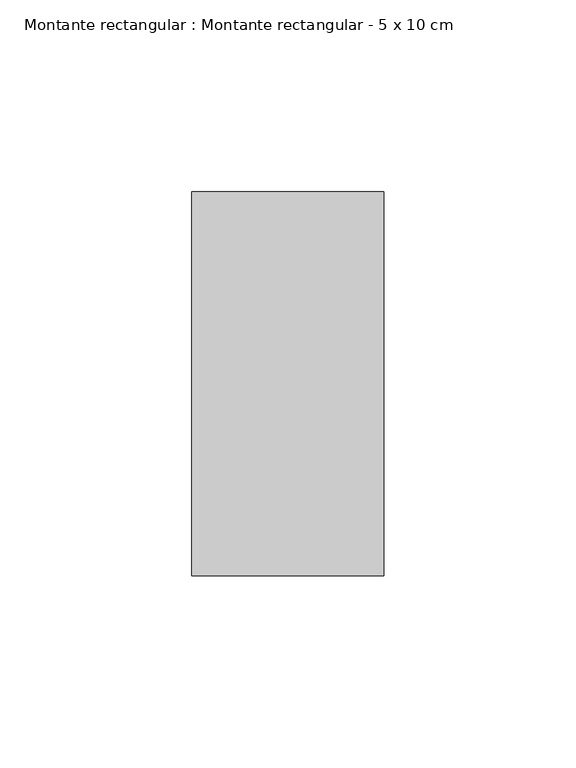
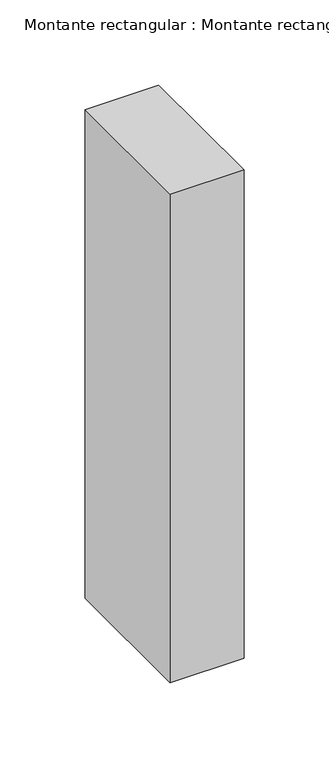
"""IFC4 building model written with IfcOpenShell, lengths in millimetres: member geometry, Montante rectangular : Montante rectangular - 5 x 10 cm."""

import ifcopenshell
import ifcopenshell.guid

model = None  # the IFC model being written
_history = None  # IfcOwnerHistory: only IFC2X3 demands one
_inside = {}  # id of a spatial element -> (the spatial element, [elements in it])
_under = {}  # id of a project, library or spatial element -> (it, [spatial elements below it])
_declared = {}  # id of a project -> (the project, [libraries it declares])
_typed = {}  # id of a type object -> (the type object, [elements of that type])
_made_of = {}  # id of a material, layer set ... -> (it, [elements and type objects made of it])


def new_model(schema):
    """Start an empty IFC model of exactly this schema.

    Asked for "IFC4X3", IfcOpenShell would pick the latest addendum, in which some entities
    have other attributes; the version numbers below select the first issue.
    IFC2X3 requires an IfcOwnerHistory on every rooted entity: one is made here for all.
    """
    global model, _history
    if schema == "IFC4X3":
        model = ifcopenshell.file(schema_version=(4, 3, 0, 0))
    else:
        model = ifcopenshell.file(schema=schema)
    _inside.clear()
    _under.clear()
    _declared.clear()
    _typed.clear()
    _made_of.clear()
    _history = None
    if model.schema == "IFC2X3":
        org = make("IfcOrganization", Name="unknown")
        user = make(
            "IfcPersonAndOrganization",
            ThePerson=make("IfcPerson", FamilyName="unknown"),
            TheOrganization=org,
        )
        app = make(
            "IfcApplication",
            ApplicationDeveloper=org,
            Version="unknown",
            ApplicationFullName="unknown",
            ApplicationIdentifier="unknown",
        )
        _history = make(
            "IfcOwnerHistory",
            OwningUser=user,
            OwningApplication=app,
            ChangeAction="ADDED",
            CreationDate=0,
        )
    return model


def make(cls, **values):
    """One entity of the class cls with the attributes given. An attribute that is None is left unset."""
    return model.create_entity(
        cls, **{name: value for name, value in values.items() if value is not None}
    )


def rooted(cls, **values):
    """An entity with a GlobalId (a new one), such as an element, a storey or a relation."""
    return make(cls, GlobalId=ifcopenshell.guid.new(), OwnerHistory=_history, **values)


def si_unit(unit_type, name, prefix=None):
    """IfcSIUnit, for example si_unit("LENGTHUNIT", "METRE", prefix="MILLI")."""
    return make("IfcSIUnit", UnitType=unit_type, Prefix=prefix, Name=name)


def assignment(units):
    """IfcUnitAssignment: the units of a project."""
    return None if units is None else make("IfcUnitAssignment", Units=units)


def point(xyz):
    """IfcCartesianPoint."""
    return None if xyz is None else make("IfcCartesianPoint", Coordinates=xyz)


def direction(xyz):
    """IfcDirection."""
    return None if xyz is None else make("IfcDirection", DirectionRatios=xyz)


def frame(location, z_axis=None, x_axis=None):
    """IfcAxis2Placement3D, a coordinate frame: its origin and axes. An axis left out is left unset."""
    return make(
        "IfcAxis2Placement3D",
        Location=point(location),
        Axis=direction(z_axis),
        RefDirection=direction(x_axis),
    )


def origin():
    """The frame at (0, 0, 0) with its axes left unset."""
    return frame((0.0, 0.0, 0.0))


def place(relative_to, where):
    """IfcLocalPlacement: puts the frame where relative to a parent placement (None: the world)."""
    return make(
        "IfcLocalPlacement", PlacementRelTo=relative_to, RelativePlacement=where
    )


def context(
    kind, dimensions, precision=None, world=None, true_north=None, identifier=None
):
    """IfcGeometricRepresentationContext, for example the 3D "Model" context."""
    return make(
        "IfcGeometricRepresentationContext",
        ContextIdentifier=identifier,
        ContextType=kind,
        CoordinateSpaceDimension=dimensions,
        Precision=precision,
        WorldCoordinateSystem=world,
        TrueNorth=true_north,
    )


def project(units=None, contexts=None):
    """IfcProject with its units and contexts."""
    return rooted(
        "IfcProject",
        Name="project",
        RepresentationContexts=contexts,
        UnitsInContext=assignment(units),
    )


def spatial(cls, under=None, at=None, **own):
    """A site, building, storey or space (cls), placed at a placement, below another one or the project."""
    s = rooted(cls, ObjectPlacement=at, **own)
    if under is not None:
        _under.setdefault(under.id(), (under, []))[1].append(s)
    return s


def polyline(points):
    """IfcPolyline through the points."""
    return make("IfcPolyline", Points=[point(p) for p in points])


def outline(outer, holes=None, kind="AREA"):
    """IfcArbitraryClosedProfileDef: a profile drawn as a closed curve; with holes, ...WithVoids."""
    if holes is None:
        return make("IfcArbitraryClosedProfileDef", ProfileType=kind, OuterCurve=outer)
    return make(
        "IfcArbitraryProfileDefWithVoids",
        ProfileType=kind,
        OuterCurve=outer,
        InnerCurves=holes,
    )


def extrude(swept, where, along, depth):
    """IfcExtrudedAreaSolid: the profile swept, set in the frame where, extruded along a direction by depth."""
    return make(
        "IfcExtrudedAreaSolid",
        SweptArea=swept,
        Position=where,
        ExtrudedDirection=direction(along),
        Depth=depth,
    )


def shape(context_of_items, identifier, shape_type, items):
    """IfcShapeRepresentation: the items that make up one representation, for example the "Body"."""
    return make(
        "IfcShapeRepresentation",
        ContextOfItems=context_of_items,
        RepresentationIdentifier=identifier,
        RepresentationType=shape_type,
        Items=items,
    )


def source(mapping_origin, context_of_items, identifier, shape_type, items):
    """IfcRepresentationMap: a shape defined once, which mapped items show again and again."""
    return make(
        "IfcRepresentationMap",
        MappingOrigin=mapping_origin,
        MappedRepresentation=shape(context_of_items, identifier, shape_type, items),
    )


def transform(
    local_origin,
    x_axis=None,
    y_axis=None,
    z_axis=None,
    scale=None,
    scale2=None,
    scale3=None,
    uniform=True,
):
    """IfcCartesianTransformationOperator3D, or its non-uniform kind. x_axis, y_axis, z_axis: its Axis1, 2, 3."""
    if uniform:
        return make(
            "IfcCartesianTransformationOperator3D",
            Axis1=direction(x_axis),
            Axis2=direction(y_axis),
            LocalOrigin=point(local_origin),
            Scale=scale,
            Axis3=direction(z_axis),
        )
    return make(
        "IfcCartesianTransformationOperator3DnonUniform",
        Axis1=direction(x_axis),
        Axis2=direction(y_axis),
        LocalOrigin=point(local_origin),
        Scale=scale,
        Axis3=direction(z_axis),
        Scale2=scale2,
        Scale3=scale3,
    )


def mapped(mapping_source, mapping_target):
    """IfcMappedItem: shows the shape of a source again, moved by a transform."""
    return make(
        "IfcMappedItem", MappingSource=mapping_source, MappingTarget=mapping_target
    )


def made_of(thing, what):
    """Note that an element or type object is made of a material, layer set ...; save() writes the relation."""
    if what is not None:
        _made_of.setdefault(what.id(), (what, []))[1].append(thing)
    return thing


def element(
    cls,
    number,
    at=None,
    inside=None,
    cuts=None,
    type_object=None,
    material=None,
    context=None,
    identifier="Body",
    shape_type=None,
    held_by="IfcProductDefinitionShape",
    body=None,
    shapes=None,
    **own,
):
    """One element of the class cls, such as IfcWall. Its Tag is "e" and its number.

    at: its placement. inside: the storey or other place that contains it. cuts: it is an
    opening in that element (IfcRelVoidsElement). A single representation is given by context,
    identifier, shape_type and body (its items); several are given by shapes. held_by: the class
    of the entity that holds the representations. save() writes the other relations.
    """
    e = rooted(cls, Tag="e%d" % number, ObjectPlacement=at, **own)
    if body is not None:
        shapes = [shape(context, identifier, shape_type, body)]
    if shapes is not None:
        e.Representation = make(held_by, Representations=shapes)
    if inside is not None:
        _inside.setdefault(inside.id(), (inside, []))[1].append(e)
    if cuts is not None:
        rooted(
            "IfcRelVoidsElement", RelatingBuildingElement=cuts, RelatedOpeningElement=e
        )
    if type_object is not None:
        _typed.setdefault(type_object.id(), (type_object, []))[1].append(e)
    return made_of(e, material)


def aggregate(whole, parts):
    """IfcRelAggregates: a whole, such as a stair, and the parts it consists of."""
    return rooted("IfcRelAggregates", RelatingObject=whole, RelatedObjects=parts)


def save(model, path):
    """Write the relations noted so far, then the file.

    IfcRelAggregates (storeys below a building ...), IfcRelContainedInSpatialStructure (elements
    in a storey), IfcRelDefinesByType, IfcRelAssociatesMaterial and IfcRelDeclares: one each for
    every whole, place, type object, material and project.
    """
    for whole, parts in _under.values():
        aggregate(whole, parts)
    for where, things in _inside.values():
        rooted(
            "IfcRelContainedInSpatialStructure",
            RelatedElements=things,
            RelatingStructure=where,
        )
    for kind, things in _typed.values():
        rooted("IfcRelDefinesByType", RelatedObjects=things, RelatingType=kind)
    for what, things in _made_of.values():
        rooted("IfcRelAssociatesMaterial", RelatedObjects=things, RelatingMaterial=what)
    for by, libraries in _declared.values():
        rooted("IfcRelDeclares", RelatingContext=by, RelatedDefinitions=libraries)
    model.write(path)


def montante_rectangular_montante_rectangular_5_x_10_cm_66f4e64e(model_context):
    return source(origin(), model_context, "Body", "SweptSolid", [
        extrude(outline(polyline([(0.0, 50.0), (0.0, -50.0), (-50.0, -50.0), (-50.0, 50.0), (0.0, 50.0)])), frame((0.0, 0.0, -350.0), z_axis=(0.0, 0.0, 1.0), x_axis=(1.0, 0.0, 0.0)), (0.0, 0.0, 1.0), 350.0),
    ])


if __name__ == "__main__":
    model = new_model("IFC4")
    model_context = context("Model", 3, world=origin())
    ifc_project = project(units=[si_unit("LENGTHUNIT", "METRE", prefix="MILLI")], contexts=[model_context])
    site = spatial("IfcSite", under=ifc_project)
    building = spatial("IfcBuilding", under=site)
    placement = place(None, origin())
    montante_rectangular_montante_rectangular_5_x_10_cm_shape = montante_rectangular_montante_rectangular_5_x_10_cm_66f4e64e(model_context)
    element("IfcMember", 1, ObjectType="Montante rectangular : Montante rectangular - 5 x 10 cm", at=placement, inside=building, context=model_context, shape_type="MappedRepresentation", body=[
        mapped(montante_rectangular_montante_rectangular_5_x_10_cm_shape, transform((0.0, 0.0, 0.0), x_axis=(1.0, 0.0, 0.0), y_axis=(0.0, 1.0, 0.0), z_axis=(0.0, 0.0, 1.0))),
    ])
    save(model, "model.ifc")
